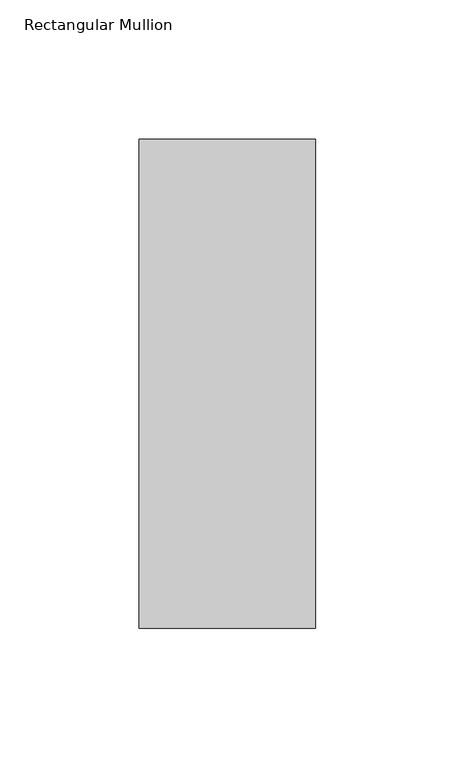
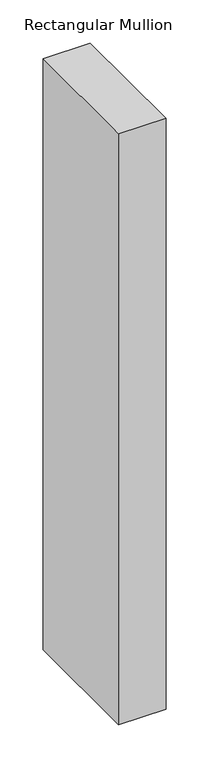
"""IFC4 building model written with IfcOpenShell, lengths in millimetres: member geometry, Rectangular Mullion."""

import ifcopenshell
import ifcopenshell.guid

model = None  # the IFC model being written
_history = None  # IfcOwnerHistory: only IFC2X3 demands one
_inside = {}  # id of a spatial element -> (the spatial element, [elements in it])
_under = {}  # id of a project, library or spatial element -> (it, [spatial elements below it])
_declared = {}  # id of a project -> (the project, [libraries it declares])
_typed = {}  # id of a type object -> (the type object, [elements of that type])
_made_of = {}  # id of a material, layer set ... -> (it, [elements and type objects made of it])


def new_model(schema):
    """Start an empty IFC model of exactly this schema.

    Asked for "IFC4X3", IfcOpenShell would pick the latest addendum, in which some entities
    have other attributes; the version numbers below select the first issue.
    IFC2X3 requires an IfcOwnerHistory on every rooted entity: one is made here for all.
    """
    global model, _history
    if schema == "IFC4X3":
        model = ifcopenshell.file(schema_version=(4, 3, 0, 0))
    else:
        model = ifcopenshell.file(schema=schema)
    _inside.clear()
    _under.clear()
    _declared.clear()
    _typed.clear()
    _made_of.clear()
    _history = None
    if model.schema == "IFC2X3":
        org = make("IfcOrganization", Name="unknown")
        user = make(
            "IfcPersonAndOrganization",
            ThePerson=make("IfcPerson", FamilyName="unknown"),
            TheOrganization=org,
        )
        app = make(
            "IfcApplication",
            ApplicationDeveloper=org,
            Version="unknown",
            ApplicationFullName="unknown",
            ApplicationIdentifier="unknown",
        )
        _history = make(
            "IfcOwnerHistory",
            OwningUser=user,
            OwningApplication=app,
            ChangeAction="ADDED",
            CreationDate=0,
        )
    return model


def make(cls, **values):
    """One entity of the class cls with the attributes given. An attribute that is None is left unset."""
    return model.create_entity(
        cls, **{name: value for name, value in values.items() if value is not None}
    )


def rooted(cls, **values):
    """An entity with a GlobalId (a new one), such as an element, a storey or a relation."""
    return make(cls, GlobalId=ifcopenshell.guid.new(), OwnerHistory=_history, **values)


def si_unit(unit_type, name, prefix=None):
    """IfcSIUnit, for example si_unit("LENGTHUNIT", "METRE", prefix="MILLI")."""
    return make("IfcSIUnit", UnitType=unit_type, Prefix=prefix, Name=name)


def assignment(units):
    """IfcUnitAssignment: the units of a project."""
    return None if units is None else make("IfcUnitAssignment", Units=units)


def point(xyz):
    """IfcCartesianPoint."""
    return None if xyz is None else make("IfcCartesianPoint", Coordinates=xyz)


def direction(xyz):
    """IfcDirection."""
    return None if xyz is None else make("IfcDirection", DirectionRatios=xyz)


def frame(location, z_axis=None, x_axis=None):
    """IfcAxis2Placement3D, a coordinate frame: its origin and axes. An axis left out is left unset."""
    return make(
        "IfcAxis2Placement3D",
        Location=point(location),
        Axis=direction(z_axis),
        RefDirection=direction(x_axis),
    )


def origin():
    """The frame at (0, 0, 0) with its axes left unset."""
    return frame((0.0, 0.0, 0.0))


def place(relative_to, where):
    """IfcLocalPlacement: puts the frame where relative to a parent placement (None: the world)."""
    return make(
        "IfcLocalPlacement", PlacementRelTo=relative_to, RelativePlacement=where
    )


def context(
    kind, dimensions, precision=None, world=None, true_north=None, identifier=None
):
    """IfcGeometricRepresentationContext, for example the 3D "Model" context."""
    return make(
        "IfcGeometricRepresentationContext",
        ContextIdentifier=identifier,
        ContextType=kind,
        CoordinateSpaceDimension=dimensions,
        Precision=precision,
        WorldCoordinateSystem=world,
        TrueNorth=true_north,
    )


def project(units=None, contexts=None):
    """IfcProject with its units and contexts."""
    return rooted(
        "IfcProject",
        Name="project",
        RepresentationContexts=contexts,
        UnitsInContext=assignment(units),
    )


def spatial(cls, under=None, at=None, **own):
    """A site, building, storey or space (cls), placed at a placement, below another one or the project."""
    s = rooted(cls, ObjectPlacement=at, **own)
    if under is not None:
        _under.setdefault(under.id(), (under, []))[1].append(s)
    return s


def polyline(points):
    """IfcPolyline through the points."""
    return make("IfcPolyline", Points=[point(p) for p in points])


def outline(outer, holes=None, kind="AREA"):
    """IfcArbitraryClosedProfileDef: a profile drawn as a closed curve; with holes, ...WithVoids."""
    if holes is None:
        return make("IfcArbitraryClosedProfileDef", ProfileType=kind, OuterCurve=outer)
    return make(
        "IfcArbitraryProfileDefWithVoids",
        ProfileType=kind,
        OuterCurve=outer,
        InnerCurves=holes,
    )


def extrude(swept, where, along, depth):
    """IfcExtrudedAreaSolid: the profile swept, set in the frame where, extruded along a direction by depth."""
    return make(
        "IfcExtrudedAreaSolid",
        SweptArea=swept,
        Position=where,
        ExtrudedDirection=direction(along),
        Depth=depth,
    )


def shape(context_of_items, identifier, shape_type, items):
    """IfcShapeRepresentation: the items that make up one representation, for example the "Body"."""
    return make(
        "IfcShapeRepresentation",
        ContextOfItems=context_of_items,
        RepresentationIdentifier=identifier,
        RepresentationType=shape_type,
        Items=items,
    )


def source(mapping_origin, context_of_items, identifier, shape_type, items):
    """IfcRepresentationMap: a shape defined once, which mapped items show again and again."""
    return make(
        "IfcRepresentationMap",
        MappingOrigin=mapping_origin,
        MappedRepresentation=shape(context_of_items, identifier, shape_type, items),
    )


def transform(
    local_origin,
    x_axis=None,
    y_axis=None,
    z_axis=None,
    scale=None,
    scale2=None,
    scale3=None,
    uniform=True,
):
    """IfcCartesianTransformationOperator3D, or its non-uniform kind. x_axis, y_axis, z_axis: its Axis1, 2, 3."""
    if uniform:
        return make(
            "IfcCartesianTransformationOperator3D",
            Axis1=direction(x_axis),
            Axis2=direction(y_axis),
            LocalOrigin=point(local_origin),
            Scale=scale,
            Axis3=direction(z_axis),
        )
    return make(
        "IfcCartesianTransformationOperator3DnonUniform",
        Axis1=direction(x_axis),
        Axis2=direction(y_axis),
        LocalOrigin=point(local_origin),
        Scale=scale,
        Axis3=direction(z_axis),
        Scale2=scale2,
        Scale3=scale3,
    )


def mapped(mapping_source, mapping_target):
    """IfcMappedItem: shows the shape of a source again, moved by a transform."""
    return make(
        "IfcMappedItem", MappingSource=mapping_source, MappingTarget=mapping_target
    )


def made_of(thing, what):
    """Note that an element or type object is made of a material, layer set ...; save() writes the relation."""
    if what is not None:
        _made_of.setdefault(what.id(), (what, []))[1].append(thing)
    return thing


def element(
    cls,
    number,
    at=None,
    inside=None,
    cuts=None,
    type_object=None,
    material=None,
    context=None,
    identifier="Body",
    shape_type=None,
    held_by="IfcProductDefinitionShape",
    body=None,
    shapes=None,
    **own,
):
    """One element of the class cls, such as IfcWall. Its Tag is "e" and its number.

    at: its placement. inside: the storey or other place that contains it. cuts: it is an
    opening in that element (IfcRelVoidsElement). A single representation is given by context,
    identifier, shape_type and body (its items); several are given by shapes. held_by: the class
    of the entity that holds the representations. save() writes the other relations.
    """
    e = rooted(cls, Tag="e%d" % number, ObjectPlacement=at, **own)
    if body is not None:
        shapes = [shape(context, identifier, shape_type, body)]
    if shapes is not None:
        e.Representation = make(held_by, Representations=shapes)
    if inside is not None:
        _inside.setdefault(inside.id(), (inside, []))[1].append(e)
    if cuts is not None:
        rooted(
            "IfcRelVoidsElement", RelatingBuildingElement=cuts, RelatedOpeningElement=e
        )
    if type_object is not None:
        _typed.setdefault(type_object.id(), (type_object, []))[1].append(e)
    return made_of(e, material)


def aggregate(whole, parts):
    """IfcRelAggregates: a whole, such as a stair, and the parts it consists of."""
    return rooted("IfcRelAggregates", RelatingObject=whole, RelatedObjects=parts)


def save(model, path):
    """Write the relations noted so far, then the file.

    IfcRelAggregates (storeys below a building ...), IfcRelContainedInSpatialStructure (elements
    in a storey), IfcRelDefinesByType, IfcRelAssociatesMaterial and IfcRelDeclares: one each for
    every whole, place, type object, material and project.
    """
    for whole, parts in _under.values():
        aggregate(whole, parts)
    for where, things in _inside.values():
        rooted(
            "IfcRelContainedInSpatialStructure",
            RelatedElements=things,
            RelatingStructure=where,
        )
    for kind, things in _typed.values():
        rooted("IfcRelDefinesByType", RelatedObjects=things, RelatingType=kind)
    for what, things in _made_of.values():
        rooted("IfcRelAssociatesMaterial", RelatedObjects=things, RelatingMaterial=what)
    for by, libraries in _declared.values():
        rooted("IfcRelDeclares", RelatingContext=by, RelatedDefinitions=libraries)
    model.write(path)


def rectangular_mullion_0c7b3b56(model_context):
    return source(origin(), model_context, "Body", "SweptSolid", [
        extrude(outline(polyline([(-31.7499996, 222.5381312), (31.75, 222.5381312), (31.75, 46.7447302), (-31.7499996, 46.7447302), (-31.7499996, 222.5381312)])), frame((0.0, 0.0, -838.2000001), z_axis=(0.0, 0.0, 1.0), x_axis=(1.0, 0.0, 0.0)), (0.0, 0.0, 1.0), 838.2000001),
    ])


if __name__ == "__main__":
    model = new_model("IFC4")
    model_context = context("Model", 3, world=origin())
    ifc_project = project(units=[si_unit("LENGTHUNIT", "METRE", prefix="MILLI")], contexts=[model_context])
    site = spatial("IfcSite", under=ifc_project)
    building = spatial("IfcBuilding", under=site)
    placement = place(None, origin())
    rectangular_mullion_shape = rectangular_mullion_0c7b3b56(model_context)
    element("IfcMember", 1, ObjectType="Rectangular Mullion", at=placement, inside=building, context=model_context, shape_type="MappedRepresentation", body=[
        mapped(rectangular_mullion_shape, transform((0.0, 0.0, 0.0), x_axis=(1.0, 0.0, 0.0), y_axis=(0.0, 1.0, 0.0), z_axis=(0.0, 0.0, 1.0))),
    ])
    save(model, "model.ifc")
